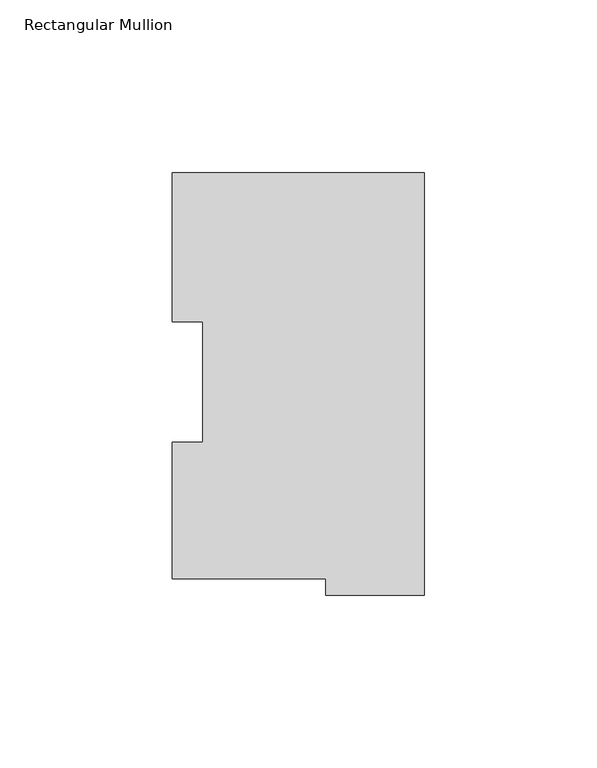
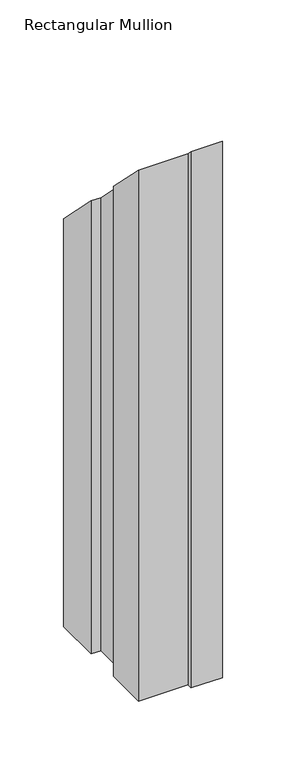
"""IFC4 building model written with IfcOpenShell, lengths in millimetres: member geometry, Rectangular Mullion."""

from ifc_helpers import new_model, si_unit, origin, place, context, project, spatial, faceted_brep, source, transform, mapped, element, save


def rectangular_mullion_ef4b09bc(model_context):
    return source(origin(), model_context, "Body", "Brep", [
        faceted_brep([(0.0, 117.827425, -508.2122393), (0.0, -4.778375, -508.2122393), (-28.575, -4.778375, -508.2122393), (-28.575, -0.028575, -508.2122393), (-73.025, -0.028575, -508.2122393), (-73.025, 39.646225, -508.2122393), (-64.2874, 39.646225, -508.2122393), (-64.2874, 74.596625, -508.2122393), (-73.025, 74.596625, -508.2122393), (-73.025, 117.827425, -508.2122393), (-73.025, 117.827425, -117.827425), (0.0, 117.827425, -117.827425), (-73.025, 74.596625, -74.596625), (-64.2874, 74.596625, -74.596625), (-64.2874, 39.646225, -39.646225), (-73.025, 39.646225, -39.646225), (-73.025, -0.028575, 0.028575), (-28.575, -0.028575, 0.028575), (-28.575, -4.778375, 4.778375), (0.0, -4.778375, 4.778375)], [[[0, 1, 2, 3, 4, 5, 6, 7, 8, 9]], [[10, 11, 0, 9]], [[12, 10, 9, 8]], [[13, 12, 8, 7]], [[14, 13, 7, 6]], [[15, 14, 6, 5]], [[16, 15, 5, 4]], [[17, 16, 4, 3]], [[18, 17, 3, 2]], [[19, 18, 2, 1]], [[11, 19, 1, 0]], [[11, 10, 12, 13, 14, 15, 16, 17, 18, 19]]]),
    ])


if __name__ == "__main__":
    model = new_model("IFC4")
    model_context = context("Model", 3, world=origin())
    ifc_project = project(units=[si_unit("LENGTHUNIT", "METRE", prefix="MILLI")], contexts=[model_context])
    site = spatial("IfcSite", under=ifc_project)
    building = spatial("IfcBuilding", under=site)
    placement = place(None, origin())
    rectangular_mullion_shape = rectangular_mullion_ef4b09bc(model_context)
    element("IfcMember", 1, ObjectType="Rectangular Mullion", at=placement, inside=building, context=model_context, shape_type="MappedRepresentation", body=[
        mapped(rectangular_mullion_shape, transform((0.0, 0.0, 0.0), x_axis=(1.0, 0.0, 0.0), y_axis=(0.0, 1.0, 0.0), z_axis=(0.0, 0.0, 1.0))),
    ])
    save(model, "model.ifc")
